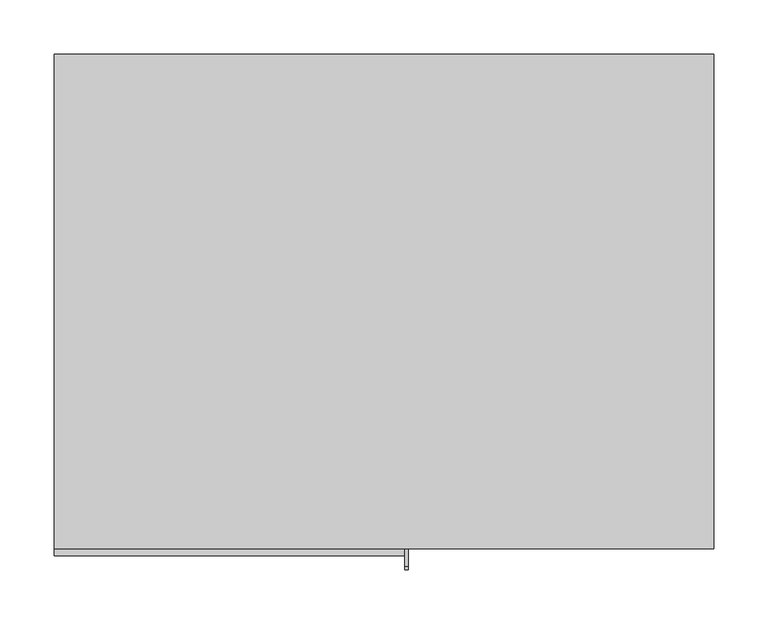
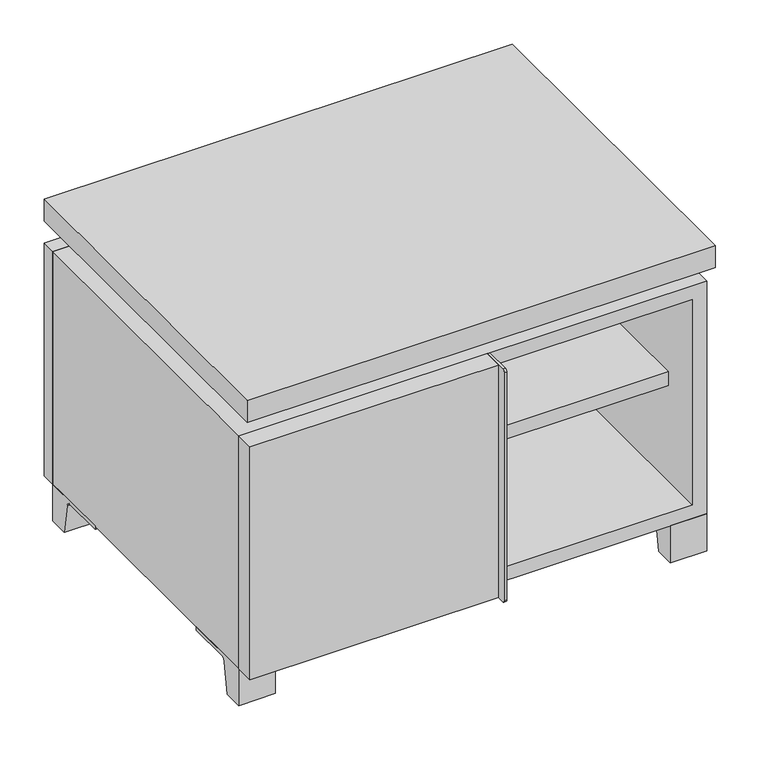
"""IFC4 building model written with IfcOpenShell, lengths in millimetres: furniture geometry."""

from ifc_helpers import new_model, si_unit, point, frame, frame_2d, origin, place, context, project, spatial, polyline, circle_curve, trimmed, segment, composite_curve, outline, extrude, faceted_brep, source, transform, mapped, element, save


def furniture_fcf1e151(model_context):
    return source(origin(), model_context, "Body", "SolidModel", [
        extrude(outline(polyline([(9.5319453, 241.3), (285.7569453, 241.3), (285.7569453, -92.075), (9.5319453, -92.075), (9.5319453, 241.3)])), frame((0.0, 0.0, 201.6125), z_axis=(0.0, 0.0, 1.0), x_axis=(1.0, 0.0, 0.0)), (0.0, 0.0, 1.0), 19.05),
        extrude(outline(polyline([(-9.5041641, 241.3), (-9.5041641, -92.075), (-285.7291641, -92.075), (-285.7291641, 241.3), (-9.5041641, 241.3)])), frame((0.0, 0.0, 201.6125), z_axis=(0.0, 0.0, 1.0), x_axis=(1.0, 0.0, 0.0)), (0.0, 0.0, 1.0), 19.05),
        extrude(outline(polyline([(304.8138906, 292.1), (304.8138906, -165.1), (-304.7861094, -165.1), (-304.7861094, 292.1), (304.8138906, 292.1)])), frame((0.0, 0.0, 401.6375), z_axis=(0.0, 0.0, 1.0), x_axis=(1.0, 0.0, 0.0)), (0.0, 0.0, 1.0), 30.1625),
        extrude(outline(composite_curve([segment(polyline([(-146.05, 371.475), (-146.05, 50.8), (-180.975, 50.8)]), True, "CONTINUOUS"), segment(trimmed(circle_curve(frame_2d((-180.975, 53.975)), 3.175), [point((-180.975, 50.8))], [point((-184.15, 53.975))], False, "CARTESIAN"), True, "CONTINUOUS"), segment(polyline([(-184.15, 53.975), (-184.15, 368.3)]), True, "CONTINUOUS"), segment(trimmed(circle_curve(frame_2d((-180.975, 368.3)), 3.175), [point((-184.15, 368.3))], [point((-180.975, 371.475))], False, "CARTESIAN"), True, "CONTINUOUS"), segment(polyline([(-180.975, 371.475), (-146.05, 371.475)]), True, "CONTINUOUS")], self_intersect=False)), frame((19.0638906, 0.0, 0.0), z_axis=(1.0, 0.0, 0.0), x_axis=(0.0, 1.0, 0.0)), (0.0, 0.0, 1.0), 3.175),
        extrude(outline(polyline([(-304.7861094, -146.05), (19.0638906, -146.05), (19.0638906, -171.45), (-304.7861094, -171.45), (-304.7861094, -146.05)])), frame((0.0, 0.0, 50.8), z_axis=(0.0, 0.0, 1.0), x_axis=(1.0, 0.0, 0.0)), (0.0, 0.0, 1.0), 320.675),
        extrude(outline(composite_curve([segment(polyline([(-120.6500136, 0.0), (-146.05, 0.0), (-146.05, 50.8), (-50.8, 50.8), (-50.8, 46.0213321), (-107.6005345, 46.0213321)]), True, "CONTINUOUS"), segment(trimmed(circle_curve(frame_2d((-107.6005345, 39.6713321)), 6.35), [point((-107.6005345, 46.0213321))], [point((-113.8641359, 40.7152656))], True, "CARTESIAN"), True, "CONTINUOUS"), segment(polyline([(-113.8641359, 40.7152656), (-120.6500136, 0.0)]), True, "CONTINUOUS")], self_intersect=False)), frame((257.1888906, 0.0, 0.0), z_axis=(1.0, 0.0, 0.0), x_axis=(0.0, 1.0, 0.0)), (0.0, 0.0, 1.0), 47.625),
        extrude(outline(composite_curve([segment(polyline([(247.6500136, 0.0), (240.8641359, 40.7152656)]), True, "CONTINUOUS"), segment(trimmed(circle_curve(frame_2d((234.6005345, 39.6713321)), 6.35), [point((240.8641359, 40.7152656))], [point((234.6005345, 46.0213321))], True, "CARTESIAN"), True, "CONTINUOUS"), segment(polyline([(234.6005345, 46.0213321), (177.8, 46.0213321), (177.8, 50.8), (273.05, 50.8), (273.05, 0.0), (247.6500136, 0.0)]), True, "CONTINUOUS")], self_intersect=False)), frame((257.1888906, 0.0, 0.0), z_axis=(1.0, 0.0, 0.0), x_axis=(0.0, 1.0, 0.0)), (0.0, 0.0, 1.0), 47.625),
        extrude(outline(composite_curve([segment(polyline([(-120.6500136, 0.0), (-146.05, 0.0), (-146.05, 50.8), (-50.8, 50.8), (-50.8, 46.0213321), (-107.6005345, 46.0213321)]), True, "CONTINUOUS"), segment(trimmed(circle_curve(frame_2d((-107.6005345, 39.6713321)), 6.35), [point((-107.6005345, 46.0213321))], [point((-113.8641359, 40.7152656))], True, "CARTESIAN"), True, "CONTINUOUS"), segment(polyline([(-113.8641359, 40.7152656), (-120.6500136, 0.0)]), True, "CONTINUOUS")], self_intersect=False)), frame((-304.7861094, 0.0, 0.0), z_axis=(1.0, 0.0, 0.0), x_axis=(0.0, 1.0, 0.0)), (0.0, 0.0, 1.0), 47.625),
        extrude(outline(composite_curve([segment(polyline([(247.6500136, 0.0), (240.8641359, 40.7152656)]), True, "CONTINUOUS"), segment(trimmed(circle_curve(frame_2d((234.6005345, 39.6713321)), 6.35), [point((240.8641359, 40.7152656))], [point((234.6005345, 46.0213321))], True, "CARTESIAN"), True, "CONTINUOUS"), segment(polyline([(234.6005345, 46.0213321), (177.8, 46.0213321), (177.8, 50.8), (273.05, 50.8), (273.05, 0.0), (247.6500136, 0.0)]), True, "CONTINUOUS")], self_intersect=False)), frame((-304.7861094, 0.0, 0.0), z_axis=(1.0, 0.0, 0.0), x_axis=(0.0, 1.0, 0.0)), (0.0, 0.0, 1.0), 47.625),
        faceted_brep([(7.9513906, -120.65, 401.6375), (7.9513906, -120.65, 371.475), (7.9513906, 53.975, 371.475), (7.9513906, 53.975, 401.6375), (7.9513906, 247.65, 371.475), (7.9513906, 247.65, 401.6375), (7.9513906, 73.025, 401.6375), (7.9513906, 73.025, 371.475), (-7.9236094, 247.65, 401.6375), (-7.9236094, 247.65, 371.475), (-7.9236094, 73.025, 371.475), (-7.9236094, 73.025, 401.6375), (-7.9236094, -120.65, 371.475), (-7.9236094, -120.65, 401.6375), (-7.9236094, 53.975, 401.6375), (-7.9236094, 53.975, 371.475), (-263.4833281, 73.025, 401.6375), (-263.5041641, 247.65, 401.6375), (-279.3791641, 247.65, 401.6375), (-279.3791641, -120.65, 401.6375), (-263.5041641, -120.65, 401.6375), (-263.5041641, 53.975, 401.6375), (263.5111094, 53.975, 401.6375), (263.5111094, -120.65, 401.6375), (279.3861094, -120.65, 401.6375), (279.3861094, 247.65, 401.6375), (263.5111094, 247.65, 401.6375), (263.5111094, 73.025, 401.6375), (-263.4833281, 53.975, 371.475), (-263.5041641, -120.65, 371.475), (-279.3791641, -120.65, 371.475), (-279.3791641, 247.65, 371.475), (-263.5041641, 247.65, 371.475), (-263.5041641, 73.025, 371.475), (263.5111094, 73.025, 371.475), (263.5111094, 247.65, 371.475), (279.3861094, 247.65, 371.475), (279.3861094, -120.65, 371.475), (263.5111094, -120.65, 371.475), (263.5111094, 53.975, 371.475)], [[[0, 1, 2, 3]], [[4, 5, 6, 7]], [[8, 9, 10, 11]], [[12, 13, 14, 15]], [[5, 8, 11, 16, 17, 18, 19, 20, 21, 14, 13, 0, 3, 22, 23, 24, 25, 26, 27, 6]], [[1, 12, 15, 28, 29, 30, 31, 32, 33, 10, 9, 4, 7, 34, 35, 36, 37, 38, 39, 2]], [[5, 4, 9, 8]], [[1, 0, 13, 12]], [[6, 27, 34, 7]], [[22, 3, 2, 39]], [[20, 29, 28, 21]], [[32, 17, 16, 33]], [[18, 31, 30, 19]], [[29, 20, 19, 30]], [[17, 32, 31, 18]], [[26, 35, 34, 27]], [[38, 23, 22, 39]], [[25, 24, 37, 36]], [[23, 38, 37, 24]], [[35, 26, 25, 36]], [[16, 11, 10, 33]], [[14, 21, 28, 15]]]),
        extrude(outline(polyline([(9.5388906, 241.3), (9.5388906, -95.25), (-9.5111094, -95.25), (-9.5111094, 241.3), (9.5388906, 241.3)])), frame((0.0, 0.0, 69.85), z_axis=(0.0, 0.0, 1.0), x_axis=(1.0, 0.0, 0.0)), (0.0, 0.0, 1.0), 282.575),
        extrude(outline(polyline([(15.8888906, -88.9), (15.8888906, -146.05), (-9.5111094, -146.05), (-9.5111094, -120.65), (3.1888906, -120.65), (3.1888906, -88.9), (15.8888906, -88.9)])), frame((0.0, 0.0, 69.85), z_axis=(0.0, 0.0, 1.0), x_axis=(1.0, 0.0, 0.0)), (0.0, 0.0, 1.0), 282.575),
        extrude(outline(polyline([(304.8138906, 273.05), (-304.7861094, 273.05), (-304.7861094, 292.1), (304.8138906, 292.1), (304.8138906, 273.05)])), frame((0.0, 0.0, 50.8), z_axis=(0.0, 0.0, 1.0), x_axis=(1.0, 0.0, 0.0)), (0.0, 0.0, 1.0), 320.675),
        extrude(outline(polyline([(50.8, -304.7861094), (50.8, 304.8), (371.475, 304.8), (371.475, -304.7861094), (50.8, -304.7861094)]), holes=[polyline([(69.85, -285.7361094), (352.425, -285.7361094), (352.425, 285.7361094), (69.85, 285.7361094), (69.85, -285.7361094)])]), frame((0.0, -146.05, 0.0), z_axis=(0.0, 1.0, 0.0), x_axis=(0.0, 0.0, 1.0)), (0.0, 0.0, 1.0), 419.1),
        extrude(outline(polyline([(-285.7291641, 241.3), (-285.7291641, 247.65), (285.7569453, 247.65), (285.7569453, 241.3), (-285.7291641, 241.3)])), frame((0.0, 0.0, 69.85), z_axis=(0.0, 0.0, 1.0), x_axis=(1.0, 0.0, 0.0)), (0.0, 0.0, 1.0), 282.575),
    ])


if __name__ == "__main__":
    model = new_model("IFC4")
    model_context = context("Model", 3, world=origin())
    ifc_project = project(units=[si_unit("LENGTHUNIT", "METRE", prefix="MILLI")], contexts=[model_context])
    site = spatial("IfcSite", under=ifc_project)
    building = spatial("IfcBuilding", under=site)
    placement = place(None, origin())
    furniture_shape = furniture_fcf1e151(model_context)
    element("IfcFurniture", 1, at=placement, inside=building, context=model_context, shape_type="MappedRepresentation", body=[
        mapped(furniture_shape, transform((0.0, 0.0, 0.0), x_axis=(1.0, 0.0, 0.0), y_axis=(0.0, 1.0, 0.0), z_axis=(0.0, 0.0, 1.0))),
    ])
    save(model, "model.ifc")
